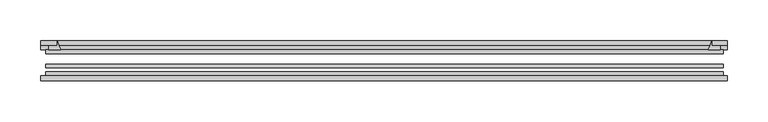
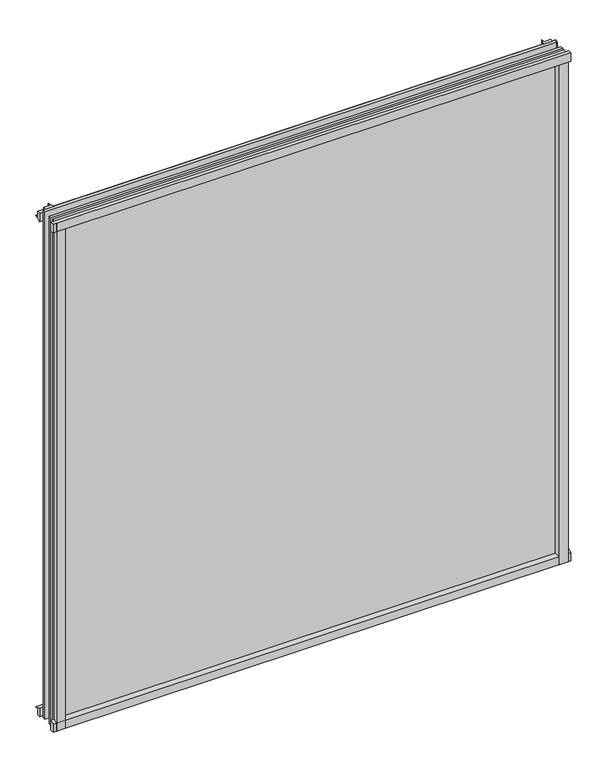
"""IFC4 building model written with IfcOpenShell, lengths in millimetres: plate geometry."""

from ifc_helpers import new_model, si_unit, point, frame, frame_2d, origin, place, context, project, spatial, polyline, circle_curve, trimmed, segment, composite_curve, outline, extrude, source, transform, mapped, element, save


def plate_ea015500(model_context):
    return source(origin(), model_context, "Body", "SweptSolid", [
        extrude(outline(composite_curve([segment(polyline([(-85.1328625, 855.6813002), (-78.7828625, 855.6813002), (-78.7828625, 839.4311909)]), True, "CONTINUOUS"), segment(trimmed(circle_curve(frame_2d((-85.0581856, 830.3814356)), 11.0126179), [point((-78.7828625, 839.4311909))], [point((-85.1328625, 841.3938002))], True, "CARTESIAN"), True, "CONTINUOUS"), segment(polyline([(-85.1328625, 841.3938002), (-85.1328625, 855.6813002)]), True, "CONTINUOUS")], self_intersect=False)), frame((-420.0921875, 0.0, 0.0), z_axis=(1.0, 0.0, 0.0), x_axis=(0.0, 1.0, 0.0)), (0.0, 0.0, 1.0), 838.99375),
        extrude(outline(composite_curve([segment(polyline([(-414.3375, -78.7828625), (-397.4762844, -78.7828625)]), True, "CONTINUOUS"), segment(trimmed(circle_curve(frame_2d((-386.9138809, -86.7604812)), 13.2365693), [point((-397.4762844, -78.7828625))], [point((-400.05, -85.1328625))], True, "CARTESIAN"), True, "CONTINUOUS"), segment(polyline([(-400.05, -85.1328625), (-414.3375, -85.1328625), (-414.3375, -78.7828625)]), True, "CONTINUOUS")], self_intersect=False)), frame((0.0, 0.0, -14.2875), z_axis=(0.0, 0.0, 1.0), x_axis=(1.0, 0.0, 0.0)), (0.0, 0.0, 1.0), 869.95),
        extrude(outline(composite_curve([segment(polyline([(414.3375, -78.7828625), (414.3375, -85.1328625), (400.05, -85.1328625)]), True, "CONTINUOUS"), segment(trimmed(circle_curve(frame_2d((386.9138809, -86.7604812)), 13.2365693), [point((400.05, -85.1328625))], [point((397.4762844, -78.7828625))], True, "CARTESIAN"), True, "CONTINUOUS"), segment(polyline([(397.4762844, -78.7828625), (414.3375, -78.7828625)]), True, "CONTINUOUS")], self_intersect=False)), frame((0.0, 0.0, -14.2875), z_axis=(0.0, 0.0, 1.0), x_axis=(1.0, 0.0, 0.0)), (0.0, 0.0, 1.0), 869.95),
        extrude(outline(composite_curve([segment(polyline([(-47.1852625, -10.4712201), (-47.1852625, 3.9588469)]), True, "CONTINUOUS"), segment(trimmed(circle_curve(frame_2d((-30.6824422, 32.267054)), 32.7673262), [point((-47.1852625, 3.9588469))], [point((-36.3503395, -0.00635))], True, "CARTESIAN"), True, "CONTINUOUS"), segment(polyline([(-36.3503395, -0.00635), (-42.2830625, -0.00635), (-42.2830625, -10.4712201), (-47.1852625, -10.4712201)]), True, "CONTINUOUS")], self_intersect=False)), frame((-420.0921875, 0.0, 0.0), z_axis=(1.0, 0.0, 0.0), x_axis=(0.0, 1.0, 0.0)), (0.0, 0.0, 1.0), 838.99375),
        extrude(outline(composite_curve([segment(polyline([(-78.7828625, -14.2875), (-85.1328625, -14.2875), (-85.1328625, -0.0127)]), True, "CONTINUOUS"), segment(trimmed(circle_curve(frame_2d((-86.7604812, 13.1234191)), 13.2365693), [point((-85.1328625, -0.0127))], [point((-78.7828625, 2.5610156))], True, "CARTESIAN"), True, "CONTINUOUS"), segment(polyline([(-78.7828625, 2.5610156), (-78.7828625, -14.2875)]), True, "CONTINUOUS")], self_intersect=False)), frame((-420.0921875, 0.0, 0.0), z_axis=(1.0, 0.0, 0.0), x_axis=(0.0, 1.0, 0.0)), (0.0, 0.0, 1.0), 838.99375),
        extrude(outline(composite_curve([segment(polyline([(-47.1852625, 837.4034531), (-47.1852625, 852.0752564), (-42.2830625, 852.0752564), (-42.2830625, 841.375), (-36.3140625, 841.375)]), True, "CONTINUOUS"), segment(trimmed(circle_curve(frame_2d((-30.6824422, 809.095246)), 32.7673262), [point((-36.3140625, 841.375))], [point((-47.1852625, 837.4034531))], True, "CARTESIAN"), True, "CONTINUOUS")], self_intersect=False)), frame((-420.0921875, 0.0, 0.0), z_axis=(1.0, 0.0, 0.0), x_axis=(0.0, 1.0, 0.0)), (0.0, 0.0, 1.0), 838.99375),
        extrude(outline(composite_curve([segment(trimmed(circle_curve(frame_2d((367.770246, -30.6824422)), 32.7673262), [point((396.0784531, -47.1852625))], [point((400.05, -36.3140625))], True, "CARTESIAN"), True, "CONTINUOUS"), segment(polyline([(400.05, -36.3140625), (400.05, -42.2830625), (410.7503653, -42.2830625), (410.7503653, -47.1852625), (396.0784531, -47.1852625)]), True, "CONTINUOUS")], self_intersect=False)), frame((0.0, 0.0, -14.2875), z_axis=(0.0, 0.0, 1.0), x_axis=(1.0, 0.0, 0.0)), (0.0, 0.0, 1.0), 869.95),
        extrude(outline(composite_curve([segment(polyline([(-396.0784531, -47.1852625), (-410.7452092, -47.1852625), (-410.7452092, -42.2830625), (-400.05, -42.2830625), (-400.05, -36.3140625)]), True, "CONTINUOUS"), segment(trimmed(circle_curve(frame_2d((-367.770246, -30.6824422)), 32.7673262), [point((-400.05, -36.3140625))], [point((-396.0784531, -47.1852625))], True, "CARTESIAN"), True, "CONTINUOUS")], self_intersect=False)), frame((0.0, 0.0, -14.2875), z_axis=(0.0, 0.0, 1.0), x_axis=(1.0, 0.0, 0.0)), (0.0, 0.0, 1.0), 869.95),
        extrude(outline(polyline([(414.3375, -64.6604625), (414.3375, -69.4356625), (-414.3375, -69.4356625), (-414.3375, -64.6604625), (414.3375, -64.6604625)])), frame((0.0, 0.0, -14.2875), z_axis=(0.0, 0.0, 1.0), x_axis=(1.0, 0.0, 0.0)), (0.0, 0.0, 1.0), 869.95),
        extrude(outline(polyline([(-414.3375, -78.7828625), (-414.3375, -74.0076625), (414.3375, -74.0076625), (414.3375, -78.7828625), (-414.3375, -78.7828625)])), frame((0.0, 0.0, -14.2875), z_axis=(0.0, 0.0, 1.0), x_axis=(1.0, 0.0, 0.0)), (0.0, 0.0, 1.0), 869.95),
        extrude(outline(polyline([(-414.3375, -47.1852625), (414.3375, -47.1852625), (414.3375, -51.9604625), (-414.3375, -51.9604625), (-414.3375, -47.1852625)])), frame((0.0, 0.0, -14.2875), z_axis=(0.0, 0.0, 1.0), x_axis=(1.0, 0.0, 0.0)), (0.0, 0.0, 1.0), 869.95),
    ])


if __name__ == "__main__":
    model = new_model("IFC4")
    model_context = context("Model", 3, world=origin())
    ifc_project = project(units=[si_unit("LENGTHUNIT", "METRE", prefix="MILLI")], contexts=[model_context])
    site = spatial("IfcSite", under=ifc_project)
    building = spatial("IfcBuilding", under=site)
    placement = place(None, origin())
    plate_shape = plate_ea015500(model_context)
    element("IfcPlate", 1, at=placement, inside=building, context=model_context, shape_type="MappedRepresentation", body=[
        mapped(plate_shape, transform((0.0, 0.0, 0.0), x_axis=(1.0, 0.0, 0.0), y_axis=(0.0, 1.0, 0.0), z_axis=(0.0, 0.0, 1.0))),
    ])
    save(model, "model.ifc")
